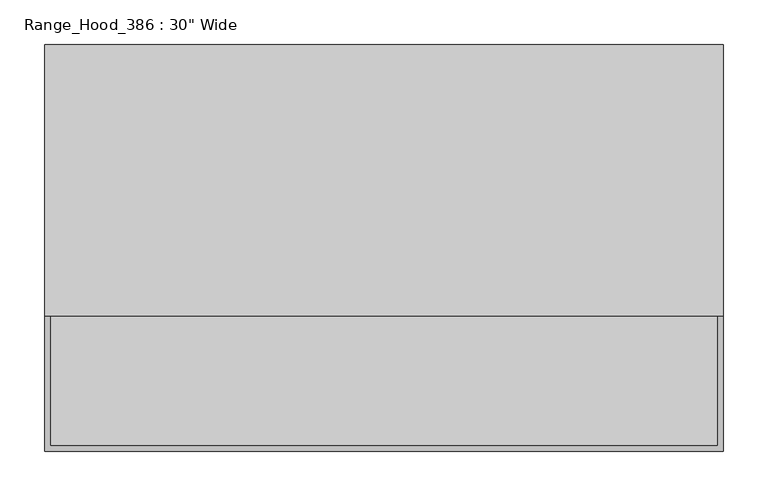
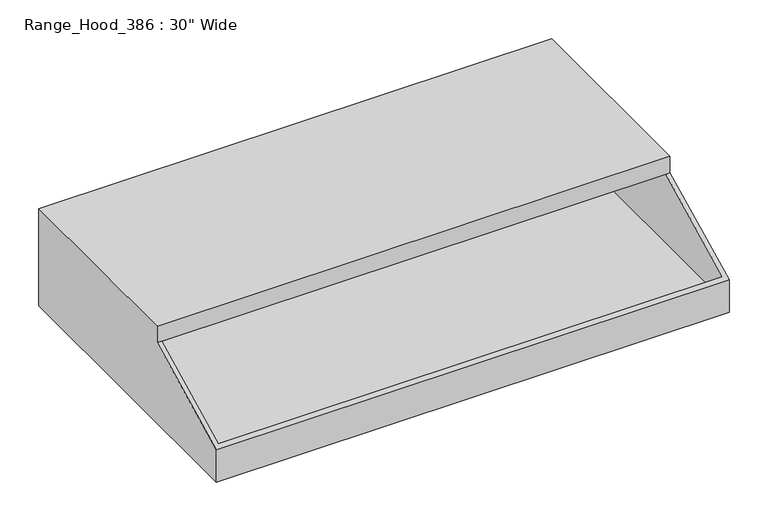
"""IFC4 building model written with IfcOpenShell, lengths in millimetres: proxy geometry."""

from ifc_helpers import new_model, si_unit, origin, place, context, project, spatial, faceted_brep, source, transform, mapped, element, save


def proxy_7805e9b0(model_context):
    return source(origin(), model_context, "Body", "Brep", [
        faceted_brep([(381.0, 304.8, 1878.2393859), (381.0, 0.0, 1878.2393859), (381.0, 0.0, 1852.8393859), (381.0, -152.4, 1776.6393859), (381.0, -152.4, 1725.8393859), (381.0, 304.8, 1725.8393859), (-381.0, 304.8, 1878.2393859), (-381.0, 304.8, 1725.8393859), (-381.0, -152.4, 1725.8393859), (-381.0, -152.4, 1776.6393859), (-381.0, 0.0, 1852.8393859), (-381.0, 0.0, 1878.2393859), (-374.65, 0.0, 1852.8393859), (374.65, 0.0, 1852.8393859), (374.65, -146.05, 1779.8143859), (-374.65, -146.05, 1779.8143859), (-374.65, -146.05, 1744.7379359), (-374.65, 298.45, 1744.7379359), (-374.65, 298.45, 1852.8393859), (374.65, 298.45, 1852.8393859), (374.65, 298.45, 1744.7379359), (374.65, -146.05, 1744.7379359)], [[[0, 1, 2, 3, 4, 5]], [[6, 7, 8, 9, 10, 11]], [[1, 0, 6, 11]], [[2, 1, 11, 10, 12, 13]], [[3, 2, 13, 14, 15, 12, 10, 9]], [[4, 3, 9, 8]], [[5, 4, 8, 7]], [[0, 5, 7, 6]], [[16, 17, 18, 12, 15]], [[19, 20, 21, 14, 13]], [[18, 17, 20, 19]], [[17, 16, 21, 20]], [[21, 16, 15, 14]], [[18, 19, 13, 12]]]),
    ])


if __name__ == "__main__":
    model = new_model("IFC4")
    model_context = context("Model", 3, world=origin())
    ifc_project = project(units=[si_unit("LENGTHUNIT", "METRE", prefix="MILLI")], contexts=[model_context])
    site = spatial("IfcSite", under=ifc_project)
    building = spatial("IfcBuilding", under=site)
    placement = place(None, origin())
    proxy_shape = proxy_7805e9b0(model_context)
    element("IfcBuildingElementProxy", 1, Name="Range_Hood_386 : 30\" Wide", ObjectType="Range_Hood_386 : 30\" Wide", at=placement, inside=building, context=model_context, shape_type="MappedRepresentation", body=[
        mapped(proxy_shape, transform((0.0, 0.0, 0.0), x_axis=(1.0, 0.0, 0.0), y_axis=(0.0, 1.0, 0.0), z_axis=(0.0, 0.0, 1.0))),
    ])
    save(model, "model.ifc")
